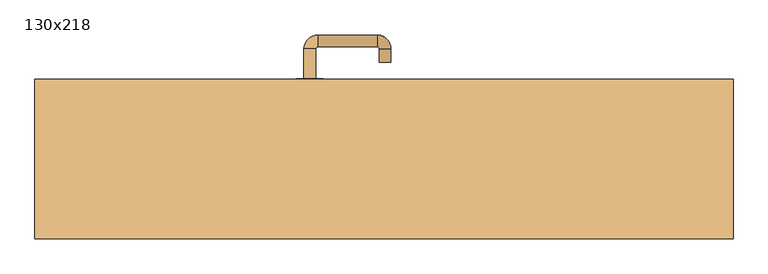
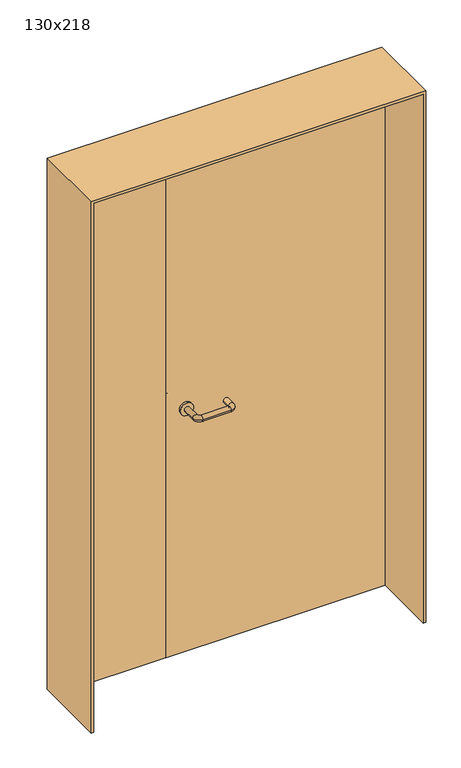
"""IFC4 building model written with IfcOpenShell, lengths in millimetres: door geometry, 130x218."""

from ifc_helpers import new_model, si_unit, point, frame, frame_2d, origin, place, context, project, spatial, polyline, circle_curve, ellipse_curve, trimmed, segment, composite_curve, outline, extrude, source, transform, mapped, element, save
from ifc_brep_helpers import plane_surface, cylinder_surface, revolved_surface, advanced_brep


def door_130x218_ec73db20(model_context):
    return source(origin(), model_context, "Body", "SolidModel", [
        extrude(outline(polyline([(2180.0, -650.0), (0.0, -650.0), (0.0, -640.0), (2170.0, -640.0), (2170.0, 640.0), (0.0, 640.0), (0.0, 650.0), (2180.0, 650.0), (2180.0, -650.0)])), frame((0.0, -136.4654067, 0.0), z_axis=(0.0, 1.0, 0.0), x_axis=(0.0, 0.0, 1.0)), (0.0, 0.0, 1.0), 296.4654067),
        advanced_brep(
        [(-149.0, 105.8874183, 1003.0), (-127.0, 105.8874183, 1003.0), (-127.0, 51.0031939, 1003.0), (-149.0, 51.0031939, 1003.0), (-123.0, 25.0031939, 1003.0), (-123.0, 47.0031939, 1003.0), (-13.0, 47.0031939, 1003.0), (-13.0, 25.0031939, 1003.0), (13.0, 51.0031939, 1003.0), (-9.0, 51.0031939, 1003.0), (-9.0, 85.0, 1003.0), (13.0, 85.0, 1003.0)],
        [
            (0, 1, circle_curve(frame((-138.0, 105.8874183, 1003.0), z_axis=(0.0, 1.0, 0.0), x_axis=(1.0, 0.0, 0.0)), 11.0)),
            (1, 0, circle_curve(frame((-138.0, 105.8874183, 1003.0), z_axis=(0.0, 1.0, 0.0), x_axis=(1.0, 0.0, 0.0)), 11.0)),
            (1, 2),
            (2, 3, circle_curve(frame((-138.0, 51.0031939, 1003.0), z_axis=(0.0, 1.0, 0.0), x_axis=(1.0, 0.0, 0.0)), 11.0)),
            (3, 0),
            (4, 3, circle_curve(frame((-123.0, 51.0031939, 1003.0), z_axis=(0.0, 0.0, -1.0), x_axis=(-1.0, 0.0, 0.0)), 26.0)),
            (2, 5, circle_curve(frame((-123.0, 51.0031939, 1003.0), z_axis=(0.0, 0.0, 1.0), x_axis=(-1.0, 0.0, 0.0)), 4.0)),
            (5, 4, circle_curve(frame((-123.0, 36.0031939, 1003.0), z_axis=(-1.0, 0.0, 0.0), x_axis=(0.0, 1.0, 0.0)), 11.0)),
            (5, 6),
            (6, 7, circle_curve(frame((-13.0, 36.0031939, 1003.0), z_axis=(-1.0, 0.0, 0.0), x_axis=(0.0, 1.0, 0.0)), 11.0)),
            (7, 4),
            (8, 7, circle_curve(frame((-13.0, 51.0031939, 1003.0), z_axis=(0.0, 0.0, -1.0), x_axis=(0.0, -1.0, 0.0)), 26.0)),
            (6, 9, circle_curve(frame((-13.0, 51.0031939, 1003.0), z_axis=(0.0, 0.0, 1.0), x_axis=(0.0, -1.0, 0.0)), 4.0)),
            (9, 8, circle_curve(frame((2.0, 51.0031939, 1003.0), z_axis=(0.0, -1.0, 0.0), x_axis=(-1.0, 0.0, 0.0)), 11.0)),
            (9, 10),
            (10, 11, circle_curve(frame((2.0, 85.0, 1003.0), z_axis=(0.0, -1.0, 0.0), x_axis=(-1.0, 0.0, 0.0)), 11.0)),
            (11, 8),
            (10, 11, circle_curve(frame((2.0, 85.0, 1003.0), z_axis=(0.0, 1.0, 0.0), x_axis=(-1.0, 0.0, 0.0)), 11.0)),
            (3, 2, circle_curve(frame((-138.0, 51.0031939, 1003.0), z_axis=(0.0, 1.0, 0.0), x_axis=(1.0, 0.0, 0.0)), 11.0)),
            (4, 5, circle_curve(frame((-123.0, 36.0031939, 1003.0), z_axis=(-1.0, 0.0, 0.0), x_axis=(0.0, 1.0, 0.0)), 11.0)),
            (7, 6, circle_curve(frame((-13.0, 36.0031939, 1003.0), z_axis=(-1.0, 0.0, 0.0), x_axis=(0.0, 1.0, 0.0)), 11.0)),
            (8, 9, circle_curve(frame((2.0, 51.0031939, 1003.0), z_axis=(0.0, -1.0, 0.0), x_axis=(-1.0, 0.0, 0.0)), 11.0)),
        ],
        [
            plane_surface(frame((-149.0, 105.8874183, 1003.0), z_axis=(0.0, 1.0, 0.0), x_axis=(0.0, 0.0, -1.0))),
            cylinder_surface(frame((-138.0, 105.8874183, 1003.0), z_axis=(0.0, 1.0, 0.0), x_axis=(1.0, 0.0, 0.0)), 11.0),
            revolved_surface(trimmed(ellipse_curve(frame((-138.0, 51.0031939, 1003.0), z_axis=(0.0, 1.0, 0.0), x_axis=(1.0, 0.0, 0.0)), 11.0, 11.0), [point((-127.0, 51.0031939, 1003.0))], [point((-149.0, 51.0031939, 1003.0))], True, "CARTESIAN"), (-123.0, 51.0031939, 1003.0), (0.0, 0.0, 1.0)),
            cylinder_surface(frame((-123.0, 36.0031939, 1003.0), z_axis=(-1.0, 0.0, 0.0), x_axis=(0.0, 1.0, 0.0)), 11.0),
            revolved_surface(trimmed(ellipse_curve(frame((-13.0, 36.0031939, 1003.0), z_axis=(-1.0, 0.0, 0.0), x_axis=(0.0, 1.0, 0.0)), 11.0, 11.0), [point((-13.0, 47.0031939, 1003.0))], [point((-13.0, 25.0031939, 1003.0))], True, "CARTESIAN"), (-13.0, 51.0031939, 1003.0), (0.0, 0.0, 1.0)),
            cylinder_surface(frame((2.0, 51.0031939, 1003.0), z_axis=(0.0, -1.0, 0.0), x_axis=(-1.0, 0.0, 0.0)), 11.0),
            plane_surface(frame((-9.0, 85.0, 1003.0), z_axis=(0.0, 1.0, 0.0), x_axis=(0.0, 0.0, 1.0))),
            revolved_surface(trimmed(ellipse_curve(frame((-138.0, 51.0031939, 1003.0), z_axis=(0.0, 1.0, 0.0), x_axis=(1.0, 0.0, 0.0)), 11.0, 11.0), [point((-149.0, 51.0031939, 1003.0))], [point((-127.0, 51.0031939, 1003.0))], True, "CARTESIAN"), (-123.0, 51.0031939, 1003.0), (0.0, 0.0, 1.0)),
            revolved_surface(trimmed(ellipse_curve(frame((-13.0, 36.0031939, 1003.0), z_axis=(-1.0, 0.0, 0.0), x_axis=(0.0, 1.0, 0.0)), 11.0, 11.0), [point((-13.0, 25.0031939, 1003.0))], [point((-13.0, 47.0031939, 1003.0))], True, "CARTESIAN"), (-13.0, 51.0031939, 1003.0), (0.0, 0.0, 1.0)),
        ],
        [
            (0, [[1, 2]]),
            (1, [[-2, 3, 4, 5]]),
            (2, [[6, -4, 7, 8]]),
            (3, [[-8, 9, 10, 11]]),
            (4, [[12, -10, 13, 14]]),
            (5, [[-14, 15, 16, 17]]),
            (6, [[-16, 18]]),
            (1, [[-1, -5, 19, -3]]),
            (7, [[-7, -19, -6, 20]]),
            (3, [[-20, -11, 21, -9]]),
            (8, [[-13, -21, -12, 22]]),
            (5, [[-22, -17, -18, -15]]),
        ],
    ),
        extrude(outline(polyline([(-214.99898, 116.0), (-637.0, 116.0), (-637.0, 160.0), (-214.99898, 160.0), (-214.99898, 116.0)])), frame((0.0, 0.0, 3.0), z_axis=(0.0, 0.0, 1.0), x_axis=(1.0, 0.0, 0.0)), (0.0, 0.0, 1.0), 2164.0),
        extrude(outline(polyline([(637.0, 116.0), (-213.0, 116.0), (-213.0, 160.0), (637.0, 160.0), (637.0, 116.0)])), frame((0.0, 0.0, 3.0), z_axis=(0.0, 0.0, 1.0), x_axis=(1.0, 0.0, 0.0)), (0.0, 0.0, 1.0), 2164.0),
        extrude(outline(composite_curve([segment(trimmed(circle_curve(frame_2d((1003.0, -138.0)), 25.0), [point((1003.0, -163.0))], [point((1003.0, -113.0))], False, "CARTESIAN"), True, "CONTINUOUS"), segment(trimmed(circle_curve(frame_2d((1003.0, -138.0)), 25.0), [point((1003.0, -113.0))], [point((1003.0, -163.0))], False, "CARTESIAN"), True, "CONTINUOUS")], self_intersect=False)), frame((0.0, 105.8874183, 0.0), z_axis=(0.0, 1.0, 0.0), x_axis=(0.0, 0.0, 1.0)), (0.0, 0.0, 1.0), 10.1125817),
        advanced_brep(
        [(-127.0, 162.0, 1003.0), (-149.0, 162.0, 1003.0), (-149.0, 217.0, 1003.0), (-127.0, 217.0, 1003.0), (-123.0, 221.0, 1003.0), (-123.0, 243.0, 1003.0), (-13.0, 243.0, 1003.0), (-13.0, 221.0, 1003.0), (-9.0, 217.0, 1003.0), (13.0, 217.0, 1003.0), (13.0, 192.0, 1003.0), (-9.0, 192.0, 1003.0)],
        [
            (0, 1, circle_curve(frame((-138.0, 162.0, 1003.0), z_axis=(0.0, -1.0, 0.0), x_axis=(-1.0, 0.0, 0.0)), 11.0)),
            (1, 0, circle_curve(frame((-138.0, 162.0, 1003.0), z_axis=(0.0, -1.0, 0.0), x_axis=(-1.0, 0.0, 0.0)), 11.0)),
            (1, 2),
            (2, 3, circle_curve(frame((-138.0, 217.0, 1003.0), z_axis=(0.0, -1.0, 0.0), x_axis=(-1.0, 0.0, 0.0)), 11.0)),
            (3, 0),
            (4, 3, circle_curve(frame((-123.0, 217.0, 1003.0), z_axis=(0.0, 0.0, 1.0), x_axis=(-1.0, 0.0, 0.0)), 4.0)),
            (2, 5, circle_curve(frame((-123.0, 217.0, 1003.0), z_axis=(0.0, 0.0, -1.0), x_axis=(-1.0, 0.0, 0.0)), 26.0)),
            (5, 4, circle_curve(frame((-123.0, 232.0, 1003.0), z_axis=(-1.0, 0.0, 0.0), x_axis=(0.0, 1.0, 0.0)), 11.0)),
            (5, 6),
            (6, 7, circle_curve(frame((-13.0, 232.0, 1003.0), z_axis=(-1.0, 0.0, 0.0), x_axis=(0.0, 1.0, 0.0)), 11.0)),
            (7, 4),
            (8, 7, circle_curve(frame((-13.0, 217.0, 1003.0), z_axis=(0.0, 0.0, 1.0), x_axis=(0.0, 1.0, 0.0)), 4.0)),
            (6, 9, circle_curve(frame((-13.0, 217.0, 1003.0), z_axis=(0.0, 0.0, -1.0), x_axis=(0.0, 1.0, 0.0)), 26.0)),
            (9, 8, circle_curve(frame((2.0, 217.0, 1003.0), z_axis=(0.0, 1.0, 0.0), x_axis=(1.0, 0.0, 0.0)), 11.0)),
            (9, 10),
            (10, 11, circle_curve(frame((2.0, 192.0, 1003.0), z_axis=(0.0, 1.0, 0.0), x_axis=(1.0, 0.0, 0.0)), 11.0)),
            (11, 8),
            (10, 11, circle_curve(frame((2.0, 192.0, 1003.0), z_axis=(0.0, -1.0, 0.0), x_axis=(1.0, 0.0, 0.0)), 11.0)),
            (3, 2, circle_curve(frame((-138.0, 217.0, 1003.0), z_axis=(0.0, -1.0, 0.0), x_axis=(-1.0, 0.0, 0.0)), 11.0)),
            (4, 5, circle_curve(frame((-123.0, 232.0, 1003.0), z_axis=(-1.0, 0.0, 0.0), x_axis=(0.0, 1.0, 0.0)), 11.0)),
            (7, 6, circle_curve(frame((-13.0, 232.0, 1003.0), z_axis=(-1.0, 0.0, 0.0), x_axis=(0.0, 1.0, 0.0)), 11.0)),
            (8, 9, circle_curve(frame((2.0, 217.0, 1003.0), z_axis=(0.0, 1.0, 0.0), x_axis=(1.0, 0.0, 0.0)), 11.0)),
        ],
        [
            plane_surface(frame((-149.0, 162.0, 1003.0), z_axis=(0.0, -1.0, 0.0), x_axis=(0.0, 0.0, 1.0))),
            cylinder_surface(frame((-138.0, 162.0, 1003.0), z_axis=(0.0, -1.0, 0.0), x_axis=(-1.0, 0.0, 0.0)), 11.0),
            revolved_surface(trimmed(ellipse_curve(frame((-138.0, 217.0, 1003.0), z_axis=(0.0, -1.0, 0.0), x_axis=(-1.0, 0.0, 0.0)), 11.0, 11.0), [point((-149.0, 217.0, 1003.0))], [point((-127.0, 217.0, 1003.0))], True, "CARTESIAN"), (-123.0, 217.0, 1003.0), (0.0, 0.0, -1.0)),
            cylinder_surface(frame((-123.0, 232.0, 1003.0), z_axis=(-1.0, 0.0, 0.0), x_axis=(0.0, 1.0, 0.0)), 11.0),
            revolved_surface(trimmed(ellipse_curve(frame((-13.0, 232.0, 1003.0), z_axis=(-1.0, 0.0, 0.0), x_axis=(0.0, 1.0, 0.0)), 11.0, 11.0), [point((-13.0, 243.0, 1003.0))], [point((-13.0, 221.0, 1003.0))], True, "CARTESIAN"), (-13.0, 217.0, 1003.0), (0.0, 0.0, -1.0)),
            cylinder_surface(frame((2.0, 217.0, 1003.0), z_axis=(0.0, 1.0, 0.0), x_axis=(1.0, 0.0, 0.0)), 11.0),
            plane_surface(frame((-9.0, 192.0, 1003.0), z_axis=(0.0, -1.0, 0.0), x_axis=(0.0, 0.0, -1.0))),
            revolved_surface(trimmed(ellipse_curve(frame((-138.0, 217.0, 1003.0), z_axis=(0.0, -1.0, 0.0), x_axis=(-1.0, 0.0, 0.0)), 11.0, 11.0), [point((-127.0, 217.0, 1003.0))], [point((-149.0, 217.0, 1003.0))], True, "CARTESIAN"), (-123.0, 217.0, 1003.0), (0.0, 0.0, -1.0)),
            revolved_surface(trimmed(ellipse_curve(frame((-13.0, 232.0, 1003.0), z_axis=(-1.0, 0.0, 0.0), x_axis=(0.0, 1.0, 0.0)), 11.0, 11.0), [point((-13.0, 221.0, 1003.0))], [point((-13.0, 243.0, 1003.0))], True, "CARTESIAN"), (-13.0, 217.0, 1003.0), (0.0, 0.0, -1.0)),
        ],
        [
            (0, [[1, 2]]),
            (1, [[-2, 3, 4, 5]]),
            (2, [[6, -4, 7, 8]]),
            (3, [[-8, 9, 10, 11]]),
            (4, [[12, -10, 13, 14]]),
            (5, [[-14, 15, 16, 17]]),
            (6, [[-16, 18]]),
            (1, [[-1, -5, 19, -3]]),
            (7, [[-7, -19, -6, 20]]),
            (3, [[-20, -11, 21, -9]]),
            (8, [[-13, -21, -12, 22]]),
            (5, [[-22, -17, -18, -15]]),
        ],
    ),
        extrude(outline(composite_curve([segment(trimmed(circle_curve(frame_2d((1003.0, -138.0)), 25.0), [point((1003.0, -113.0))], [point((1003.0, -163.0))], False, "CARTESIAN"), True, "CONTINUOUS"), segment(trimmed(circle_curve(frame_2d((1003.0, -138.0)), 25.0), [point((1003.0, -163.0))], [point((1003.0, -113.0))], False, "CARTESIAN"), True, "CONTINUOUS")], self_intersect=False)), frame((0.0, 160.0, 0.0), z_axis=(0.0, 1.0, 0.0), x_axis=(0.0, 0.0, 1.0)), (0.0, 0.0, 1.0), 2.0),
    ])


if __name__ == "__main__":
    model = new_model("IFC4")
    model_context = context("Model", 3, world=origin())
    ifc_project = project(units=[si_unit("LENGTHUNIT", "METRE", prefix="MILLI")], contexts=[model_context])
    site = spatial("IfcSite", under=ifc_project)
    building = spatial("IfcBuilding", under=site)
    placement = place(None, origin())
    door_130x218_shape = door_130x218_ec73db20(model_context)
    element("IfcDoor", 1, ObjectType="130x218", at=placement, inside=building, context=model_context, shape_type="MappedRepresentation", body=[
        mapped(door_130x218_shape, transform((0.0, 0.0, 0.0), x_axis=(1.0, 0.0, 0.0), y_axis=(0.0, 1.0, 0.0), z_axis=(0.0, 0.0, 1.0))),
    ])
    save(model, "model.ifc")
